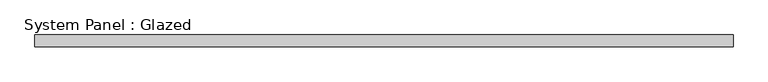
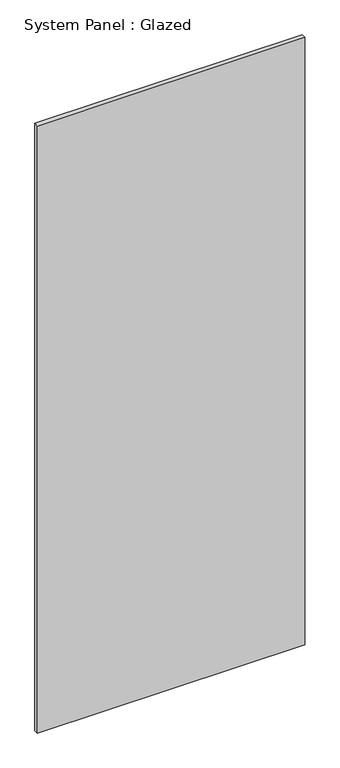
"""IFC4 building model written with IfcOpenShell, lengths in millimetres: plate geometry, System Panel : Glazed."""

from ifc_helpers import new_model, si_unit, origin, origin_with_axes, place, context, project, spatial, polyline, outline, extrude, source, transform, mapped, element, save


def system_panel_glazed_e5e6a766(model_context):
    return source(origin(), model_context, "Body", "SweptSolid", [
        extrude(outline(polyline([(761.9999998, 19.05), (-761.9999998, 19.05), (-761.9999998, 44.45), (761.9999998, 44.45), (761.9999998, 19.05)])), origin_with_axes(), (0.0, 0.0, 1.0), 3657.6),
    ])


if __name__ == "__main__":
    model = new_model("IFC4")
    model_context = context("Model", 3, world=origin())
    ifc_project = project(units=[si_unit("LENGTHUNIT", "METRE", prefix="MILLI")], contexts=[model_context])
    site = spatial("IfcSite", under=ifc_project)
    building = spatial("IfcBuilding", under=site)
    placement = place(None, origin())
    system_panel_glazed_shape = system_panel_glazed_e5e6a766(model_context)
    element("IfcPlate", 1, ObjectType="System Panel : Glazed", at=placement, inside=building, context=model_context, shape_type="MappedRepresentation", body=[
        mapped(system_panel_glazed_shape, transform((0.0, 0.0, 0.0), x_axis=(1.0, 0.0, 0.0), y_axis=(0.0, 1.0, 0.0), z_axis=(0.0, 0.0, 1.0))),
    ])
    save(model, "model.ifc")
